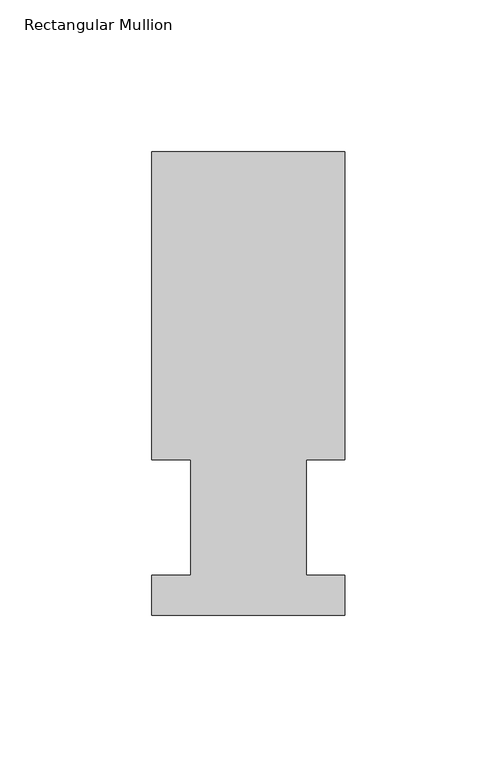
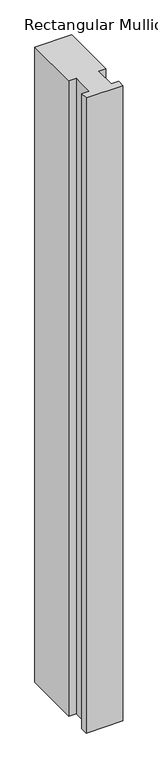
"""IFC4 building model written with IfcOpenShell, lengths in millimetres: member geometry, Rectangular Mullion."""

from ifc_helpers import new_model, si_unit, frame, origin, place, context, project, spatial, polyline, outline, extrude, source, transform, mapped, element, save


def rectangular_mullion_d444f721(model_context):
    return source(origin(), model_context, "Body", "SweptSolid", [
        extrude(outline(polyline([(-31.75, 152.4896937), (31.75, 152.4896937), (31.75, 51.2960938), (19.05, 51.2960938), (19.05, 13.1960938), (31.75, 13.1960938), (31.75, 0.0134938), (-31.75, 0.0134938), (-31.75, 13.1960938), (-19.05, 13.1960938), (-19.05, 51.2960938), (-31.75, 51.2960938), (-31.75, 152.4896937)])), frame((0.0, 0.0, -1155.7), z_axis=(0.0, 0.0, 1.0), x_axis=(1.0, 0.0, 0.0)), (0.0, 0.0, 1.0), 1155.7),
    ])


if __name__ == "__main__":
    model = new_model("IFC4")
    model_context = context("Model", 3, world=origin())
    ifc_project = project(units=[si_unit("LENGTHUNIT", "METRE", prefix="MILLI")], contexts=[model_context])
    site = spatial("IfcSite", under=ifc_project)
    building = spatial("IfcBuilding", under=site)
    placement = place(None, origin())
    rectangular_mullion_shape = rectangular_mullion_d444f721(model_context)
    element("IfcMember", 1, ObjectType="Rectangular Mullion", at=placement, inside=building, context=model_context, shape_type="MappedRepresentation", body=[
        mapped(rectangular_mullion_shape, transform((0.0, 0.0, 0.0), x_axis=(1.0, 0.0, 0.0), y_axis=(0.0, 1.0, 0.0), z_axis=(0.0, 0.0, 1.0))),
    ])
    save(model, "model.ifc")
